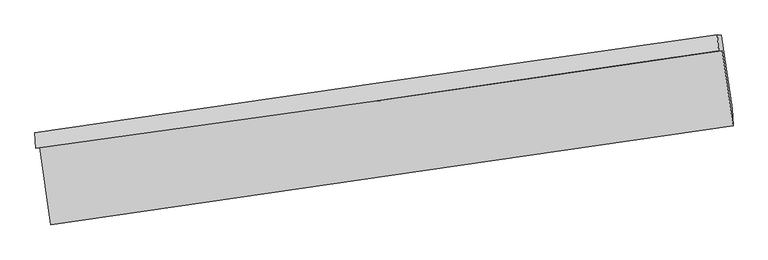
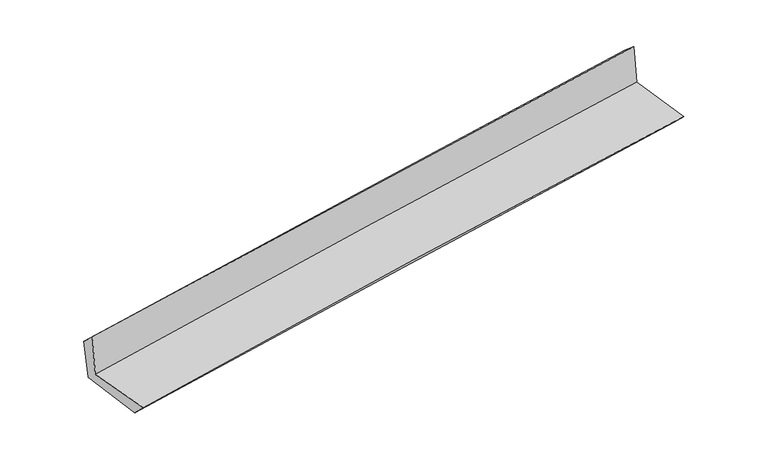
"""IFC4 building model written with IfcOpenShell, lengths in millimetres: proxy geometry."""

from ifc_helpers import new_model, si_unit, frame, origin, place, context, project, spatial, source, transform, mapped, element, save
from ifc_brep_helpers import plane_surface, spline_curve, spline_surface, advanced_brep


def generic_models_4c74db04(model_context):
    return source(origin(), model_context, "Body", "AdvancedBrep", [
        advanced_brep(
        [(-2997.3865382, -1914.7966774, 1623.0950883), (-2901.2983778, -2591.5763727, 1642.0242933), (3045.1487151, -1725.3550688, 2142.425872), (2950.1958445, -1072.2752417, 2150.8337184), (-3030.6302662, -1924.9766506, 2038.391414), (2918.0928218, -1073.8255394, 2537.5832178), (-3040.0431836, -1789.0506644, 1916.3201106), (2907.9344257, -935.7575533, 2420.7323389), (-3005.2130457, -1807.0420034, 1530.6839878), (2941.8941995, -940.4614952, 2022.5674738), (-2910.1050245, -2452.7300494, 1507.6575604), (3036.066556, -1578.4945556, 1997.5182757)],
        [
            (0, 1),
            (1, 2, spline_curve(3, [(-2901.2983778, -2591.5763727, 1642.0242933), (-1911.596936569, -2447.035752043, 1741.461643161), (-921.205057073, -2302.57976657, 1832.880714193), (1060.943995695, -2013.839334321, 1999.680988331), (2052.701147036, -1869.554885691, 2075.062443341), (3045.1487151, -1725.3550688, 2142.425872)], [4, 2, 4], [0.0, 9.892134381715309, 19.784113233485506])),
            (2, 3),
            (3, 0, spline_curve(3, [(2950.1958445, -1072.2752417, 2150.8337184), (1958.542506386, -1218.124481767, 2076.816154726), (967.087866953, -1361.258690717, 1995.829553903), (-1015.439600506, -1642.09925467, 1819.916896585), (-2006.512421698, -1779.805524292, 1724.990620365), (-2997.3865382, -1914.7966774, 1623.0950883)], [4, 2, 4], [0.0, 9.891978851770197, 19.784113233485506])),
            (4, 0),
            (3, 5),
            (5, 4, spline_curve(3, [(2918.0928218, -1073.8255394, 2537.5832178), (1926.666817678, -1223.745336744, 2467.873967856), (935.230788944, -1369.633968657, 2391.420405918), (-1047.676906486, -1653.351132744, 2225.023350376), (-2039.148573917, -1791.179537568, 2135.079644028), (-3030.6302662, -1924.9766506, 2038.391414)], [4, 2, 4], [0.0, 9.891993519914644, 19.784142570005024])),
            (6, 4),
            (5, 7),
            (7, 6, spline_curve(3, [(2907.9344257, -935.7575533, 2420.7323389), (1916.018059629, -1073.224859584, 2335.38961595), (924.398969879, -1213.065694249, 2250.68422772), (-1058.260242268, -1497.496656364, 2082.546798092), (-2049.300355775, -1642.086858753, 1999.114777124), (-3040.0431836, -1789.0506644, 1916.3201106)], [4, 2, 4], [0.0, 9.891711539886481, 19.783578605515174])),
            (8, 6),
            (7, 9),
            (9, 8, spline_curve(3, [(2941.8941995, -940.4614952, 2022.5674738), (1950.393407001, -1084.562354252, 1943.706197505), (959.054634976, -1228.827257245, 1863.2856031), (-1023.314452084, -1517.687421588, 1699.324490343), (-2014.34476184, -1662.282688005, 1615.783922425), (-3005.2130457, -1807.0420034, 1530.6839878)], [4, 2, 4], [0.0, 9.891664069288854, 19.78348366357355])),
            (10, 8),
            (9, 11),
            (11, 10, spline_curve(3, [(3036.066556, -1578.4945556, 1997.5182757), (2044.818825568, -1724.788804029, 1919.416454566), (1053.684556533, -1870.788315672, 1839.544152502), (-928.372640589, -2162.20015602, 1676.257303042), (-1919.295565004, -2307.612475652, 1592.842700125), (-2910.1050245, -2452.7300494, 1507.6575604)], [4, 2, 4], [0.0, 9.891693313560806, 19.783542152577255])),
            (1, 10),
            (11, 2),
        ],
        [
            spline_surface(3, 3, [[(-2997.3865382, -1914.7966774, 1623.0950883), (-2006.512421717, -1779.805524217, 1724.990620376), (-1015.439600354, -1642.099254656, 1819.916896471), (967.087866801, -1361.258690732, 1995.829554017), (1958.542506323, -1218.124481688, 2076.816154636), (2950.1958445, -1072.2752417, 2150.8337184)], [(-2965.357151409, -2140.389909155, 1629.404823321), (-1974.873926647, -2002.215600189, 1730.480961279), (-984.028085931, -1862.259425225, 1824.238169056), (998.373243069, -1578.785571955, 1997.113365444), (1989.928719927, -1435.267949623, 2076.231584218), (2981.84680136, -1289.96851738, 2148.031102934)], [(-2933.327764591, -2365.983140945, 1635.714558279), (-1943.235431549, -2224.625676196, 1735.971302119), (-952.616571456, -2082.419595857, 1828.559441641), (1029.658619387, -1796.312453242, 1998.397176871), (2021.314933552, -1652.411417617, 2075.6470138), (3013.49775824, -1507.66179312, 2145.228487466)], [(-2901.2983778, -2591.5763727, 1642.0242933), (-1911.596936478, -2447.035752168, 1741.461643022), (-921.205057033, -2302.579766426, 1832.880714226), (1060.943995655, -2013.839334465, 1999.680988298), (2052.701147156, -1869.554885552, 2075.062443382), (3045.1487151, -1725.3550688, 2142.425872)]], [4, 4], [4, 2, 4], [0.0, 2.176133633181437], [0.0, 9.892134381715309, 19.784113233485506]),
            spline_surface(3, 3, [[(-3030.6302662, -1924.9766506, 2038.391414), (-2039.148573833, -1791.179537638, 2135.079644104), (-1047.67690662, -1653.351132605, 2225.023350223), (935.230789078, -1369.633968796, 2391.420406071), (1926.666817837, -1223.745336719, 2467.873967894), (2918.0928218, -1073.8255394, 2537.5832178)], [(-3019.549023523, -1921.583326207, 1899.959305412), (-2028.269856451, -1787.388199839, 1998.38330284), (-1036.931137847, -1649.600506643, 2089.987865663), (945.849815004, -1366.842209463, 2259.556788743), (1937.292047336, -1221.87171838, 2337.521363451), (2928.79382937, -1073.308773505, 2408.666717976)], [(-3008.467780877, -1918.190001793, 1761.527196888), (-2017.391139099, -1783.596862016, 1861.68696164), (-1026.185369128, -1645.849880618, 1954.952381031), (956.468840876, -1364.050450065, 2127.693171344), (1947.917276824, -1219.998100027, 2207.168759079), (2939.49483693, -1072.792007595, 2279.750218224)], [(-2997.3865382, -1914.7966774, 1623.0950883), (-2006.512421717, -1779.805524217, 1724.990620376), (-1015.439600354, -1642.099254656, 1819.916896471), (967.087866801, -1361.258690732, 1995.829554017), (1958.542506323, -1218.124481688, 2076.816154636), (2950.1958445, -1072.2752417, 2150.8337184)]], [4, 4], [4, 2, 4], [0.0, 1.3180748582110748], [0.0, 9.89214905009038, 19.784142570005024]),
            spline_surface(3, 3, [[(-3040.0431836, -1789.0506644, 1916.3201106), (-2049.300355938, -1642.086858871, 1999.114777145), (-1058.260242404, -1497.496656502, 2082.546798164), (924.398970015, -1213.065694111, 2250.684227648), (1916.018059639, -1073.224859438, 2335.389616044), (2907.9344257, -935.7575533, 2420.7323389)], [(-3036.905544487, -1834.359326468, 1957.010545093), (-2045.91642859, -1691.784418461, 2044.436399491), (-1054.732463836, -1549.448148536, 2130.03898216), (928.009576343, -1265.255119006, 2297.596287098), (1919.567645728, -1123.398351883, 2379.551066673), (2911.320557756, -981.780215352, 2459.682631879)], [(-3033.767905313, -1879.667988532, 1997.700979507), (-2042.532501181, -1741.481978048, 2089.758021758), (-1051.204685189, -1601.399640571, 2177.531166227), (931.62018275, -1317.444543902, 2344.50834662), (1923.117231749, -1173.571844274, 2423.712517265), (2914.706689744, -1027.802877348, 2498.632924821)], [(-3030.6302662, -1924.9766506, 2038.391414), (-2039.148573833, -1791.179537638, 2135.079644104), (-1047.67690662, -1653.351132605, 2225.023350223), (935.230789078, -1369.633968796, 2391.420406071), (1926.666817837, -1223.745336719, 2467.873967894), (2918.0928218, -1073.8255394, 2537.5832178)]], [4, 4], [4, 2, 4], [0.0, 0.6926303769532816], [0.0, 9.891867065628693, 19.783578605515174]),
            spline_surface(3, 3, [[(-3005.2130457, -1807.0420034, 1530.6839878), (-2014.344761692, -1662.282688006, 1615.783922421), (-1023.314451973, -1517.687421539, 1699.324490241), (959.054634865, -1228.827257293, 1863.285603202), (1950.393406859, -1084.562354369, 1943.706197392), (2941.8941995, -940.4614952, 2022.5674738)], [(-3016.823091655, -1801.044890377, 1659.229362049), (-2025.996626429, -1655.550744937, 1743.560873978), (-1034.96304878, -1510.957166505, 1827.065259565), (947.502746586, -1223.573402877, 1992.418478033), (1938.934957758, -1080.783189378, 2074.267336938), (2930.574274872, -938.893514553, 2155.289095496)], [(-3028.433137645, -1795.047777423, 1787.774736351), (-2037.6484912, -1648.81880194, 1871.337825588), (-1046.611645598, -1504.226911536, 1954.806028841), (935.950858295, -1218.319548527, 2121.551352817), (1927.47650874, -1077.004024429, 2204.828476498), (2919.254350328, -937.325533947, 2288.010717204)], [(-3040.0431836, -1789.0506644, 1916.3201106), (-2049.300355938, -1642.086858871, 1999.114777145), (-1058.260242404, -1497.496656502, 2082.546798164), (924.398970015, -1213.065694111, 2250.684227648), (1916.018059639, -1073.224859438, 2335.389616044), (2907.9344257, -935.7575533, 2420.7323389)]], [4, 4], [4, 2, 4], [0.0, 1.2706569007491255], [0.0, 9.891819594284694, 19.78348366357355]),
            spline_surface(3, 3, [[(-2910.1050245, -2452.7300494, 1507.6575604), (-1919.295564937, -2307.61247576, 1592.842700005), (-928.372640569, -2162.200156105, 1676.257303059), (1053.684556513, -1870.788315587, 1839.544152485), (2044.818825616, -1724.788803941, 1919.41645453), (3036.066556, -1578.4945556, 1997.5182757)], [(-2941.807698214, -2237.500700746, 1515.333036203), (-1950.978630503, -2092.502546522, 1600.489774146), (-960.019911043, -1947.362577935, 1683.946365439), (1022.141249291, -1656.801296175, 1847.457969377), (2013.343686046, -1511.379987408, 1927.513035481), (3004.675770515, -1365.816868791, 2005.868008397)], [(-2973.510371986, -2022.271352054, 1523.008511997), (-1982.661696126, -1877.392617244, 1608.13684828), (-991.667181499, -1732.524999709, 1691.635427861), (990.597942087, -1442.814276706, 1855.37178631), (1981.86854643, -1297.971170902, 1935.609616441), (2973.284984985, -1153.139182009, 2014.217741103)], [(-3005.2130457, -1807.0420034, 1530.6839878), (-2014.344761692, -1662.282688006, 1615.783922421), (-1023.314451973, -1517.687421539, 1699.324490241), (959.054634865, -1228.827257293, 1863.285603202), (1950.393406859, -1084.562354369, 1943.706197392), (2941.8941995, -940.4614952, 2022.5674738)]], [4, 4], [4, 2, 4], [0.0, 2.134528286985978], [0.0, 9.891848839016449, 19.783542152577255]),
            spline_surface(3, 3, [[(-2901.2983778, -2591.5763727, 1642.0242933), (-1911.596936478, -2447.035752168, 1741.461643022), (-921.205057033, -2302.579766426, 1832.880714226), (1060.943995655, -2013.839334465, 1999.680988298), (2052.701147156, -1869.554885552, 2075.062443382), (3045.1487151, -1725.3550688, 2142.425872)], [(-2904.233926711, -2545.294264947, 1597.235382323), (-1914.163145975, -2400.561326712, 1691.92199534), (-923.594251517, -2255.786562989, 1780.672910501), (1058.524182635, -1966.155661509, 1946.302043025), (2050.073706636, -1821.299525035, 2023.180447116), (3042.121328727, -1676.40156442, 2094.123339918)], [(-2907.169475589, -2499.012157153, 1552.446471377), (-1916.72935544, -2354.086901216, 1642.382347688), (-925.983446084, -2208.993359542, 1728.465106783), (1056.104369533, -1918.471988543, 1892.923097758), (2047.446266136, -1773.044164458, 1971.298450796), (3039.093942373, -1627.44805998, 2045.820807782)], [(-2910.1050245, -2452.7300494, 1507.6575604), (-1919.295564937, -2307.61247576, 1592.842700005), (-928.372640569, -2162.200156105, 1676.257303059), (1053.684556513, -1870.788315587, 1839.544152485), (2044.818825616, -1724.788803941, 1919.41645453), (3036.066556, -1578.4945556, 1997.5182757)]], [4, 4], [4, 2, 4], [0.0, 0.6976666805449676], [0.0, 9.891947666706336, 19.783739806403204]),
            plane_surface(frame((2966.5554271, -1221.0282423, 2211.9434828), z_axis=(0.9863766435777803, 0.14235027290684157, 0.08244705457189119), x_axis=(-0.08497630582311753, 0.011770502667134123, 0.9963134460176772))),
            plane_surface(frame((-2980.779406, -2080.0287363, 1709.6954091), z_axis=(-0.9863766435777499, -0.14235027290698632, -0.08244705457200584), x_axis=(-0.14051490976660133, 0.9896915233167023, -0.02768119954679236))),
        ],
        [
            (0, [[1, 2, 3, 4]]),
            (1, [[5, -4, 6, 7]]),
            (2, [[8, -7, 9, 10]]),
            (3, [[11, -10, 12, 13]]),
            (4, [[14, -13, 15, 16]]),
            (5, [[17, -16, 18, -2]]),
            (6, [[-12, -9, -6, -3, -18, -15]]),
            (7, [[-1, -5, -8, -11, -14, -17]]),
        ],
    ),
    ])


if __name__ == "__main__":
    model = new_model("IFC4")
    model_context = context("Model", 3, world=origin())
    ifc_project = project(units=[si_unit("LENGTHUNIT", "METRE", prefix="MILLI")], contexts=[model_context])
    site = spatial("IfcSite", under=ifc_project)
    building = spatial("IfcBuilding", under=site)
    placement = place(None, origin())
    generic_models_shape = generic_models_4c74db04(model_context)
    element("IfcBuildingElementProxy", 1, Name="Generic Models", at=placement, inside=building, context=model_context, shape_type="MappedRepresentation", body=[
        mapped(generic_models_shape, transform((0.0, 0.0, 0.0), x_axis=(1.0, 0.0, 0.0), y_axis=(0.0, 1.0, 0.0), z_axis=(0.0, 0.0, 1.0))),
    ])
    save(model, "model.ifc")
